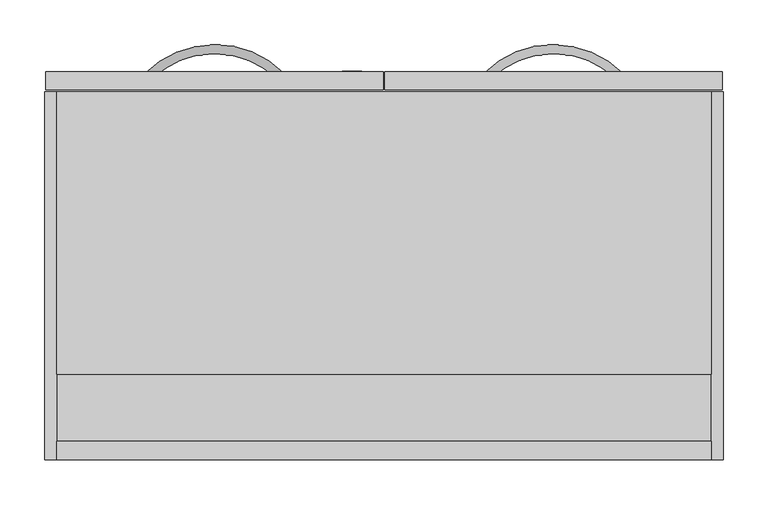
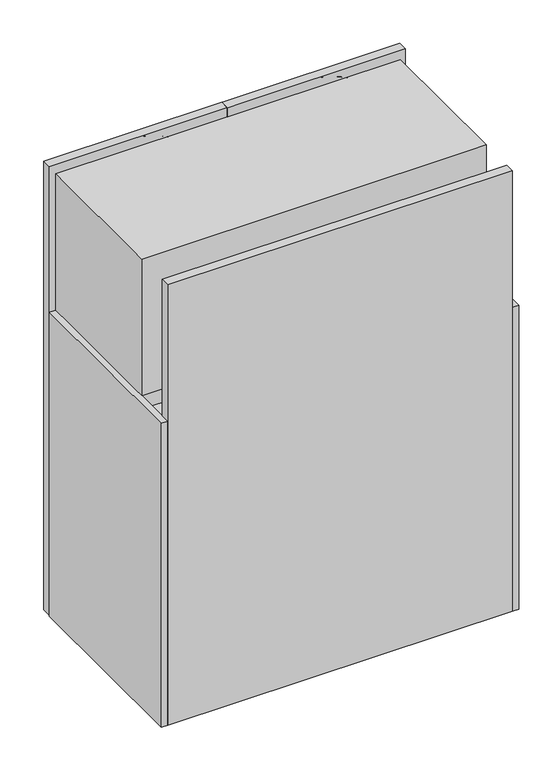
"""IFC4 building model written with IfcOpenShell, lengths in millimetres: furniture geometry."""

from ifc_helpers import new_model, si_unit, point, frame, frame_2d, origin, origin_with_axes, place, context, project, spatial, polyline, circle_curve, ellipse_curve, trimmed, segment, composite_curve, outline, extrude, source, transform, mapped, element, save
from ifc_brep_helpers import plane_surface, revolved_surface, advanced_brep


def furniture_f479fd52(model_context):
    return source(origin(), model_context, "Body", "SolidModel", [
        advanced_brep(
        [(244.5264749, -8.5864322, 995.5994527), (251.6823469, -1.3740057, 995.5994527), (103.6636534, -9.140876, 995.5994527), (96.451227, -1.985004, 995.5994527)],
        [
            (0, 1, circle_curve(frame((248.1044109, -4.9802189, 995.5994527), z_axis=(0.7098844935595594, -0.7043181140675624, 0.0), x_axis=(0.7043181140675624, 0.7098844935595594, 0.0)), 5.08)),
            (1, 0, circle_curve(frame((248.1044109, -4.9802189, 995.5994527), z_axis=(0.7098844935595594, -0.7043181140675624, 0.0), x_axis=(0.7043181140675624, 0.7098844935595594, 0.0)), 5.08)),
            (2, 3, circle_curve(frame((100.0574402, -5.56294, 995.5994527), z_axis=(-0.7043181140675634, -0.7098844935595584, 0.0), x_axis=(-0.7098844935595584, 0.7043181140675634, 0.0)), 5.08)),
            (3, 2, circle_curve(frame((100.0574402, -5.56294, 995.5994527), z_axis=(-0.7043181140675634, -0.7098844935595584, 0.0), x_axis=(-0.7098844935595584, 0.7043181140675634, 0.0)), 5.08)),
            (2, 0, circle_curve(frame((174.3722861, -79.2950648, 995.5994527), z_axis=(0.0, 0.0, -1.0), x_axis=(0.7043181140675624, 0.7098844935595594, 0.0)), 99.6058278)),
            (1, 3, circle_curve(frame((174.3722861, -79.2950648, 995.5994527), z_axis=(0.0, 0.0, 1.0), x_axis=(0.7043181140675624, 0.7098844935595594, 0.0)), 109.7658278)),
        ],
        [
            plane_surface(frame((248.1593315, -4.9248642, 995.5484451), z_axis=(0.7098844935595594, -0.7043181140675624, 0.0), x_axis=(0.0, 0.0, 1.0))),
            plane_surface(frame((100.0020855, -5.5080193, 995.5484451), z_axis=(-0.7043181140675634, -0.7098844935595585, 0.0), x_axis=(0.0, 0.0, 1.0))),
            revolved_surface(trimmed(ellipse_curve(frame((248.1044109, -4.9802189, 995.5994527), z_axis=(-0.7098844935595594, 0.7043181140675624, 0.0), x_axis=(0.7043181140675624, 0.7098844935595594, 0.0)), 5.08, 5.08), [point((244.5264749, -8.5864322, 995.5994527))], [point((251.6823469, -1.3740057, 995.5994527))], True, "CARTESIAN"), (174.3722861, -79.2950648, 995.5484451), (0.0, 0.0, -1.0)),
            revolved_surface(trimmed(ellipse_curve(frame((248.1044109, -4.9802189, 995.5994527), z_axis=(-0.7098844935595594, 0.7043181140675624, 0.0), x_axis=(0.7043181140675624, 0.7098844935595594, 0.0)), 5.08, 5.08), [point((251.6823469, -1.3740057, 995.5994527))], [point((244.5264749, -8.5864322, 995.5994527))], True, "CARTESIAN"), (174.3722861, -79.2950648, 995.5484451), (0.0, 0.0, -1.0)),
        ],
        [
            (0, [[1, 2]]),
            (1, [[3, 4]]),
            (2, [[-3, 5, -2, 6]]),
            (3, [[-4, -6, -1, -5]]),
        ],
    ),
        advanced_brep(
        [(477.4256514, -1.374494, 995.5994527), (484.582523, -8.5859286, 995.5994527), (632.65759, -1.9854962, 995.5994527), (625.4441718, -9.1403684, 995.5994527)],
        [
            (0, 1, circle_curve(frame((481.0040872, -4.9802113, 995.5994527), z_axis=(-0.7097868691191445, -0.704416496418165, 0.0), x_axis=(0.704416496418165, -0.7097868691191445, 0.0)), 5.08)),
            (1, 0, circle_curve(frame((481.0040872, -4.9802113, 995.5994527), z_axis=(-0.7097868691191445, -0.704416496418165, 0.0), x_axis=(0.704416496418165, -0.7097868691191445, 0.0)), 5.08)),
            (2, 3, circle_curve(frame((629.0508809, -5.5629323, 995.5994527), z_axis=(0.7042197120899959, -0.7099821104111591, 0.0), x_axis=(-0.7099821104111591, -0.7042197120899959, 0.0)), 5.08)),
            (3, 2, circle_curve(frame((629.0508809, -5.5629323, 995.5994527), z_axis=(0.7042197120899959, -0.7099821104111591, 0.0), x_axis=(-0.7099821104111591, -0.7042197120899959, 0.0)), 5.08)),
            (2, 0, circle_curve(frame((554.7362043, -79.2744518, 995.5994527), z_axis=(0.0, 0.0, 1.0), x_axis=(-0.704416496418165, 0.7097868691191445, 0.0)), 109.751196)),
            (1, 3, circle_curve(frame((554.7362043, -79.2744518, 995.5994527), z_axis=(0.0, 0.0, -1.0), x_axis=(-0.704416496418165, 0.7097868691191445, 0.0)), 99.591196)),
        ],
        [
            plane_surface(frame((480.9491588, -4.9248642, 995.5484451), z_axis=(-0.7097868691191445, -0.704416496418165, 0.0), x_axis=(0.0, 0.0, 1.0))),
            plane_surface(frame((629.1062432, -5.5080193, 995.5484451), z_axis=(0.704219712089996, -0.7099821104111591, 0.0), x_axis=(0.0, 0.0, 1.0))),
            revolved_surface(trimmed(ellipse_curve(frame((481.0040872, -4.9802113, 995.5994527), z_axis=(0.7097868691191445, 0.704416496418165, 0.0), x_axis=(0.704416496418165, -0.7097868691191445, 0.0)), 5.08, 5.08), [point((477.4256514, -1.374494, 995.5994527))], [point((484.582523, -8.5859286, 995.5994527))], True, "CARTESIAN"), (554.7362043, -79.2744518, 995.5484451), (0.0, 0.0, 1.0)),
            revolved_surface(trimmed(ellipse_curve(frame((481.0040872, -4.9802113, 995.5994527), z_axis=(0.7097868691191445, 0.704416496418165, 0.0), x_axis=(0.704416496418165, -0.7097868691191445, 0.0)), 5.08, 5.08), [point((484.582523, -8.5859286, 995.5994527))], [point((477.4256514, -1.374494, 995.5994527))], True, "CARTESIAN"), (554.7362043, -79.2744518, 995.5484451), (0.0, 0.0, 1.0)),
        ],
        [
            (0, [[1, 2]]),
            (1, [[3, 4]]),
            (2, [[-3, 5, -2, 6]]),
            (3, [[-4, -6, -1, -5]]),
        ],
    ),
        extrude(outline(composite_curve([segment(trimmed(circle_curve(frame_2d((994.4231109, 328.6376746)), 10.668), [point((994.4231109, 317.9696746))], [point((994.4231109, 339.3056746))], False, "CARTESIAN"), True, "CONTINUOUS"), segment(trimmed(circle_curve(frame_2d((994.4231109, 328.6376746)), 10.668), [point((994.4231109, 339.3056746))], [point((994.4231109, 317.9696746))], False, "CARTESIAN"), True, "CONTINUOUS")], self_intersect=False)), frame((0.0, 0.0, 0.0), z_axis=(0.0, 1.0, 0.0), x_axis=(0.0, 0.0, 1.0)), (0.0, 0.0, 1.0), 0.5079459),
        extrude(outline(composite_curve([segment(trimmed(circle_curve(frame_2d((19.0968082, -400.2663789)), 14.478), [point((4.6188082, -400.2663789))], [point((33.5748082, -400.2663789))], False, "CARTESIAN"), True, "CONTINUOUS"), segment(trimmed(circle_curve(frame_2d((19.0968082, -400.2663789)), 14.478), [point((33.5748082, -400.2663789))], [point((4.6188082, -400.2663789))], False, "CARTESIAN"), True, "CONTINUOUS")], self_intersect=False)), origin_with_axes(), (0.0, 0.0, 1.0), 12.7),
        extrude(outline(composite_curve([segment(trimmed(circle_curve(frame_2d((19.0968082, -55.3254588)), 14.478), [point((4.6188082, -55.3254588))], [point((33.5748082, -55.3254588))], False, "CARTESIAN"), True, "CONTINUOUS"), segment(trimmed(circle_curve(frame_2d((19.0968082, -55.3254588)), 14.478), [point((33.5748082, -55.3254588))], [point((4.6188082, -55.3254588))], False, "CARTESIAN"), True, "CONTINUOUS")], self_intersect=False)), origin_with_axes(), (0.0, 0.0, 1.0), 12.7),
        extrude(outline(composite_curve([segment(trimmed(circle_curve(frame_2d((709.4419262, -400.2663789)), 14.478), [point((694.9639262, -400.2663789))], [point((723.9199262, -400.2663789))], False, "CARTESIAN"), True, "CONTINUOUS"), segment(trimmed(circle_curve(frame_2d((709.4419262, -400.2663789)), 14.478), [point((723.9199262, -400.2663789))], [point((694.9639262, -400.2663789))], False, "CARTESIAN"), True, "CONTINUOUS")], self_intersect=False)), origin_with_axes(), (0.0, 0.0, 1.0), 12.7),
        extrude(outline(composite_curve([segment(trimmed(circle_curve(frame_2d((709.4419262, -55.3254588)), 14.478), [point((694.9639262, -55.3254588))], [point((723.9199262, -55.3254588))], False, "CARTESIAN"), True, "CONTINUOUS"), segment(trimmed(circle_curve(frame_2d((709.4419262, -55.3254588)), 14.478), [point((723.9199262, -55.3254588))], [point((694.9639262, -55.3254588))], False, "CARTESIAN"), True, "CONTINUOUS")], self_intersect=False)), origin_with_axes(), (0.0, 0.0, 1.0), 12.7),
        extrude(outline(polyline([(363.6923719, 0.0), (363.6923719, -20.1673196), (-14.9477997, -20.1673196), (-14.9477997, 0.0), (363.6923719, 0.0)])), frame((0.0, 0.0, 12.7), z_axis=(0.0, 0.0, 1.0), x_axis=(1.0, 0.0, 0.0)), (0.0, 0.0, 1.0), 1011.174),
        extrude(outline(polyline([(744.0562901, 0.0), (744.0562901, -20.1673196), (365.4161185, -20.1673196), (365.4161185, 0.0), (744.0562901, 0.0)])), frame((0.0, 0.0, 12.7), z_axis=(0.0, 0.0, 1.0), x_axis=(1.0, 0.0, 0.0)), (0.0, 0.0, 1.0), 1011.174),
        extrude(outline(polyline([(-414.9075505, 1005.3066014), (-414.9075505, 409.8954182), (-22.5805444, 409.8954182), (-22.5805444, 390.8454182), (-414.9075505, 390.8454182), (-414.9075505, 48.5394019), (-22.5805444, 48.5394019), (-22.5805444, 12.7), (-435.61, 12.7), (-435.61, 1005.3066014), (-414.9075505, 1005.3066014)])), frame((-2.6276215, 0.0, 0.0), z_axis=(1.0, 0.0, 0.0), x_axis=(0.0, 1.0, 0.0)), (0.0, 0.0, 1.0), 734.3639434),
        extrude(outline(polyline([(731.7363219, -339.7019967), (-2.6276215, -339.7019967), (-2.6276215, -22.5805444), (731.7363219, -22.5805444), (731.7363219, -339.7019967)])), frame((0.0, 0.0, 697.6999), z_axis=(0.0, 0.0, 1.0), x_axis=(1.0, 0.0, 0.0)), (0.0, 0.0, 1.0), 307.6067014),
        extrude(outline(polyline([(-2.6276215, -435.61), (-16.4460781, -435.61), (-16.4460781, -22.5805444), (-2.6276215, -22.5805444), (-2.6276215, -435.61)])), frame((0.0, 0.0, 12.7), z_axis=(0.0, 0.0, 1.0), x_axis=(1.0, 0.0, 0.0)), (0.0, 0.0, 1.0), 684.9999),
        extrude(outline(polyline([(745.5539219, -435.61), (731.7363219, -435.61), (731.7363219, -22.5805444), (745.5539219, -22.5805444), (745.5539219, -435.61)])), frame((0.0, 0.0, 12.7), z_axis=(0.0, 0.0, 1.0), x_axis=(1.0, 0.0, 0.0)), (0.0, 0.0, 1.0), 684.9999),
    ])


if __name__ == "__main__":
    model = new_model("IFC4")
    model_context = context("Model", 3, world=origin())
    ifc_project = project(units=[si_unit("LENGTHUNIT", "METRE", prefix="MILLI")], contexts=[model_context])
    site = spatial("IfcSite", under=ifc_project)
    building = spatial("IfcBuilding", under=site)
    placement = place(None, origin())
    furniture_shape = furniture_f479fd52(model_context)
    element("IfcFurniture", 1, at=placement, inside=building, context=model_context, shape_type="MappedRepresentation", body=[
        mapped(furniture_shape, transform((0.0, 0.0, 0.0), x_axis=(1.0, 0.0, 0.0), y_axis=(0.0, 1.0, 0.0), z_axis=(0.0, 0.0, 1.0))),
    ])
    save(model, "model.ifc")
